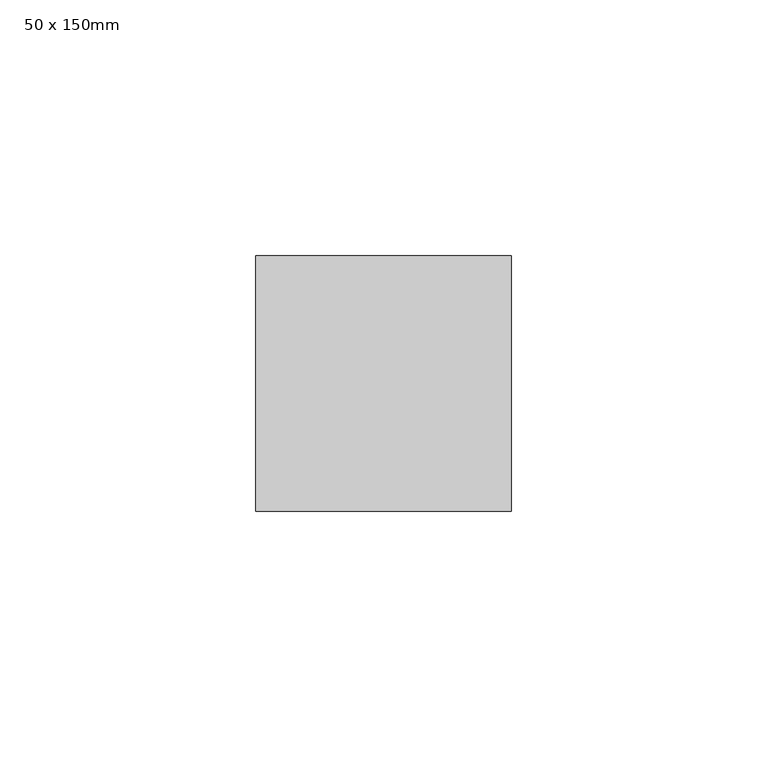
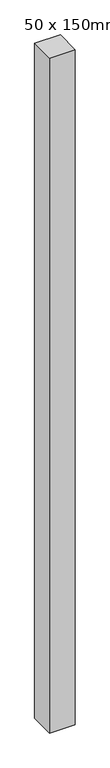
"""IFC4 building model written with IfcOpenShell, lengths in millimetres: member geometry, 50 x 150mm."""

from ifc_helpers import new_model, si_unit, frame, origin, place, context, project, spatial, polyline, outline, extrude, source, transform, mapped, element, save


def member_50_x_150mm_7f730cc3(model_context):
    return source(origin(), model_context, "Body", "SweptSolid", [
        extrude(outline(polyline([(25.0, 25.0), (25.0, -25.0), (-25.0, -25.0), (-25.0, 25.0), (25.0, 25.0)])), frame((0.0, 0.0, -1393.8018308), z_axis=(0.0, 0.0, 1.0), x_axis=(1.0, 0.0, 0.0)), (0.0, 0.0, 1.0), 1393.8018308),
    ])


if __name__ == "__main__":
    model = new_model("IFC4")
    model_context = context("Model", 3, world=origin())
    ifc_project = project(units=[si_unit("LENGTHUNIT", "METRE", prefix="MILLI")], contexts=[model_context])
    site = spatial("IfcSite", under=ifc_project)
    building = spatial("IfcBuilding", under=site)
    placement = place(None, origin())
    member_50_x_150mm_shape = member_50_x_150mm_7f730cc3(model_context)
    element("IfcMember", 1, ObjectType="50 x 150mm", at=placement, inside=building, context=model_context, shape_type="MappedRepresentation", body=[
        mapped(member_50_x_150mm_shape, transform((0.0, 0.0, 0.0), x_axis=(1.0, 0.0, 0.0), y_axis=(0.0, 1.0, 0.0), z_axis=(0.0, 0.0, 1.0))),
    ])
    save(model, "model.ifc")
